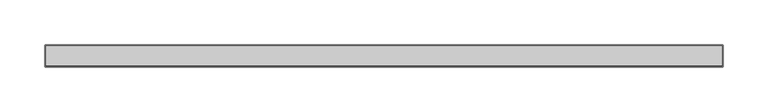
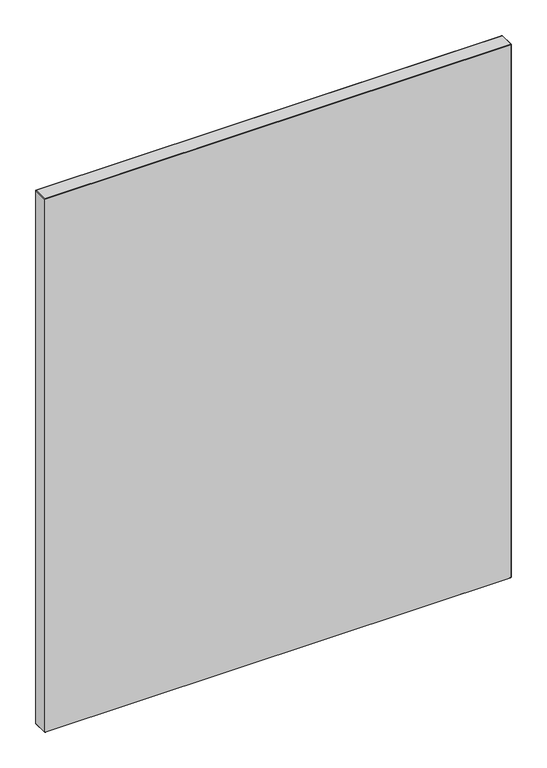
"""IFC4 building model written with IfcOpenShell, lengths in millimetres: furniture geometry."""

from ifc_helpers import new_model, si_unit, origin, place, context, project, spatial, triangles, source, transform, mapped, element, save


def furniture_d75d1563(model_context):
    return source(origin(), model_context, "Body", "Tessellation", [
        triangles([(761.2379826, -0.762, 920.7499758), (761.2379826, 0.0, 919.988031), (0.762, 0.0, 919.988031), (0.762, -0.762, 920.7499758), (0.762, -24.6379992, 920.7499758), (0.0, -0.762, 919.988031), (0.0, -24.6379992, 919.988031), (0.762, -25.4000008, 919.988031), (761.2379826, -25.4000008, 919.988031), (761.2379826, -24.6379992, 920.7499758), (0.762, -25.4000008, 0.762), (761.2379826, -25.4000008, 0.762), (0.0, -24.6379992, 0.762), (0.0, -0.762, 0.762), (761.2379826, 0.0, 0.762), (0.762, 0.0, 0.762), (762.0, -0.762, 0.762), (762.0, -0.762, 919.988031), (762.0, -24.6379992, 919.988031), (762.0, -24.6379992, 0.762), (761.2379826, -24.6379992, 0.0), (761.2379826, -0.762, 0.0), (0.762, -24.6379992, 0.0), (0.762, -0.762, 0.0)], [[1, 2, 3], [1, 3, 4], [5, 4, 6], [5, 6, 7], [5, 8, 9], [5, 9, 10], [11, 12, 9], [11, 9, 8], [13, 7, 6], [13, 6, 14], [15, 16, 3], [15, 3, 2], [17, 18, 19], [17, 19, 20], [21, 22, 17], [21, 17, 20], [21, 12, 11], [21, 11, 23], [24, 23, 13], [24, 13, 14], [24, 16, 15], [24, 15, 22], [19, 18, 1], [19, 1, 10], [10, 1, 4], [10, 4, 5], [3, 6, 4], [14, 6, 3], [14, 3, 16], [14, 16, 24], [23, 11, 13], [13, 11, 8], [13, 8, 7], [5, 7, 8], [15, 17, 22], [17, 15, 2], [17, 2, 18], [1, 18, 2], [21, 20, 12], [12, 20, 19], [12, 19, 9], [10, 9, 19]], closed=False),
    ])


if __name__ == "__main__":
    model = new_model("IFC4")
    model_context = context("Model", 3, world=origin())
    ifc_project = project(units=[si_unit("LENGTHUNIT", "METRE", prefix="MILLI")], contexts=[model_context])
    site = spatial("IfcSite", under=ifc_project)
    building = spatial("IfcBuilding", under=site)
    placement = place(None, origin())
    furniture_shape = furniture_d75d1563(model_context)
    element("IfcFurniture", 1, at=placement, inside=building, context=model_context, shape_type="MappedRepresentation", body=[
        mapped(furniture_shape, transform((0.0, 0.0, 0.0), x_axis=(1.0, 0.0, 0.0), y_axis=(0.0, 1.0, 0.0), z_axis=(0.0, 0.0, 1.0))),
    ])
    save(model, "model.ifc")
